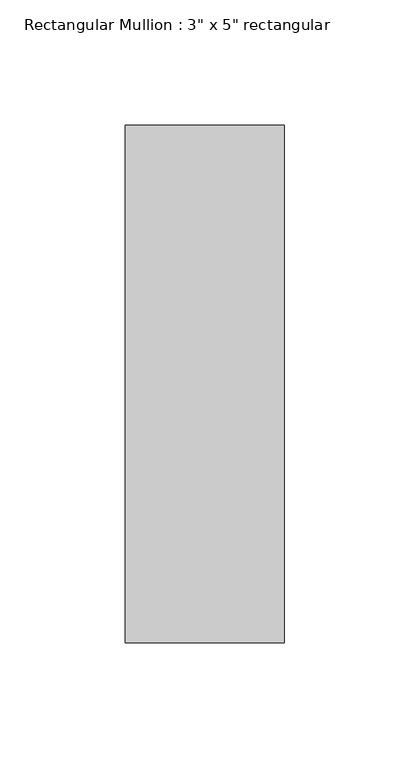
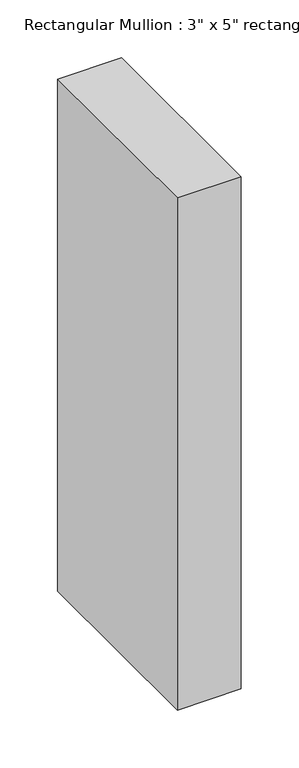
"""IFC4 building model written with IfcOpenShell, lengths in millimetres: member geometry."""

from ifc_helpers import new_model, si_unit, frame, origin, place, context, project, spatial, polyline, outline, extrude, source, transform, mapped, element, save


def member_3a9c582c(model_context):
    return source(origin(), model_context, "Body", "SweptSolid", [
        extrude(outline(polyline([(0.0, 90.551), (0.0, -115.951), (-63.5, -115.951), (-63.5, 90.551), (0.0, 90.551)])), frame((0.0, 0.0, -539.75), z_axis=(0.0, 0.0, 1.0), x_axis=(1.0, 0.0, 0.0)), (0.0, 0.0, 1.0), 539.75),
    ])


if __name__ == "__main__":
    model = new_model("IFC4")
    model_context = context("Model", 3, world=origin())
    ifc_project = project(units=[si_unit("LENGTHUNIT", "METRE", prefix="MILLI")], contexts=[model_context])
    site = spatial("IfcSite", under=ifc_project)
    building = spatial("IfcBuilding", under=site)
    placement = place(None, origin())
    member_shape = member_3a9c582c(model_context)
    element("IfcMember", 1, ObjectType="Rectangular Mullion : 3\" x 5\" rectangular", at=placement, inside=building, context=model_context, shape_type="MappedRepresentation", body=[
        mapped(member_shape, transform((0.0, 0.0, 0.0), x_axis=(1.0, 0.0, 0.0), y_axis=(0.0, 1.0, 0.0), z_axis=(0.0, 0.0, 1.0))),
    ])
    save(model, "model.ifc")
